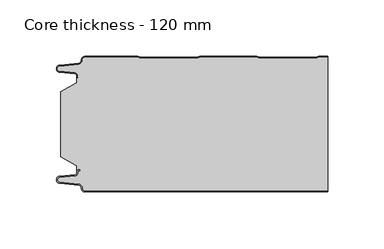
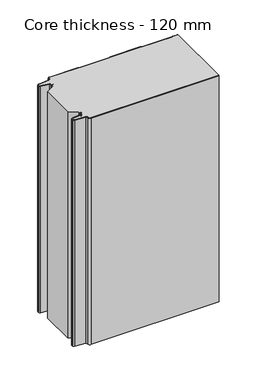
"""IFC4 building model written with IfcOpenShell, lengths in millimetres: plate geometry, Core thickness - 120 mm."""

from ifc_helpers import new_model, si_unit, frame, origin, place, context, project, spatial, polyline, circle_curve, source, transform, mapped, element, save
from ifc_brep_helpers import plane_surface, cylinder_surface, revolved_surface, advanced_brep


def core_thickness_120_mm_ad3b61e6(model_context):
    return source(origin(), model_context, "Body", "AdvancedBrep", [
        advanced_brep(
        [(-94.8000003, -119.9996949, 0.0), (-97.9923632, -116.5787437, 0.0), (-100.2560431, -113.9171154, 0.0), (-117.2115315, -112.2546153, 0.0), (-119.9999998, -109.1776715, 0.0), (-117.2115315, -106.1007278, 0.0), (-103.6195785, -104.7680252, 0.0), (-101.9952277, -102.9766159, 0.0), (-101.9952277, -101.8996949, 0.0), (-100.5952277, -100.4996949, 0.0), (-99.4952277, -100.4996949, 0.0), (-99.4952277, -101.2996949, 0.0), (-100.5952277, -101.2996949, 0.0), (-101.1952277, -101.8996949, 0.0), (-101.1952277, -102.9766159, 0.0), (-103.5415122, -105.5642071, 0.0), (-117.1334652, -106.8969097, 0.0), (-119.1999997, -109.1776715, 0.0), (-117.1334652, -111.4584333, 0.0), (-100.1779767, -113.1209335, 0.0), (-97.2078761, -116.6330399, 0.0), (-94.8000003, -119.1996949, 0.0), (119.9999998, -119.2, 0.0), (119.9999998, -119.9996949, 0.0), (-94.8000003, -119.1996949, 400.0), (-97.1942724, -116.6339815, 400.0), (-100.1779767, -113.1209335, 400.0), (-117.1334652, -111.4584333, 400.0), (-119.1999997, -109.1776715, 400.0), (-117.1334652, -106.8969097, 400.0), (-103.5415122, -105.5642071, 400.0), (-101.1952277, -102.9766159, 400.0), (-101.1952277, -101.8996949, 400.0), (-100.5952277, -101.2996949, 400.0), (-99.4952277, -101.2996949, 400.0), (-99.4952277, -100.4996949, 400.0), (-100.5952277, -100.4996949, 400.0), (-101.9952277, -101.8996949, 400.0), (-101.9952277, -102.9766159, 400.0), (-103.6195785, -104.7680252, 400.0), (-117.2115315, -106.1007278, 400.0), (-119.9999998, -109.1776715, 400.0), (-117.2115315, -112.2546153, 400.0), (-100.2560431, -113.9171154, 400.0), (-98.0059668, -116.5778021, 400.0), (-94.8000003, -119.9996949, 400.0), (119.9999998, -119.9996949, 400.0), (119.9999998, -119.2, 400.0)],
        [
            (0, 1, circle_curve(frame((-94.8000003, -116.7996949, 0.0), z_axis=(0.0, 0.0, -1.0), x_axis=(1.0, 0.0, 0.0)), 3.2)),
            (1, 2, circle_curve(frame((-100.5000003, -116.4051839, 0.0), z_axis=(0.0, 0.0, 1.0), x_axis=(1.0, 0.0, 0.0)), 2.5)),
            (2, 3),
            (3, 4, circle_curve(frame((-116.9100003, -109.1793626, 0.0), z_axis=(0.0, 0.0, -1.0), x_axis=(1.0, 0.0, 0.0)), 3.09)),
            (4, 5, circle_curve(frame((-116.9100003, -109.1759805, 0.0), z_axis=(0.0, 0.0, -1.0), x_axis=(1.0, 0.0, 0.0)), 3.09)),
            (5, 6),
            (6, 7, circle_curve(frame((-103.7952277, -102.9766159, 0.0), z_axis=(0.0, 0.0, 1.0), x_axis=(1.0, 0.0, 0.0)), 1.8)),
            (7, 8),
            (8, 9, circle_curve(frame((-100.5952277, -101.8996949, 0.0), z_axis=(0.0, 0.0, -1.0), x_axis=(1.0, 0.0, 0.0)), 1.4)),
            (9, 10),
            (10, 11),
            (11, 12),
            (12, 13, circle_curve(frame((-100.5952277, -101.8996949, 0.0), z_axis=(0.0, 0.0, 1.0), x_axis=(1.0, 0.0, 0.0)), 0.6)),
            (13, 14),
            (14, 15, circle_curve(frame((-103.7952277, -102.9766159, 0.0), z_axis=(0.0, 0.0, -1.0), x_axis=(1.0, 0.0, 0.0)), 2.6)),
            (15, 16),
            (16, 17, circle_curve(frame((-116.9100003, -109.1759805, 0.0), z_axis=(0.0, 0.0, 1.0), x_axis=(1.0, 0.0, 0.0)), 2.29)),
            (17, 18, circle_curve(frame((-116.9100003, -109.1793626, 0.0), z_axis=(0.0, 0.0, 1.0), x_axis=(1.0, 0.0, 0.0)), 2.29)),
            (18, 19),
            (19, 20, circle_curve(frame((-100.5000003, -116.4051839, 0.0), z_axis=(0.0, 0.0, -1.0), x_axis=(1.0, 0.0, 0.0)), 3.3)),
            (20, 21, circle_curve(frame((-94.8000003, -116.7996949, 0.0), z_axis=(0.0, 0.0, 1.0), x_axis=(1.0, 0.0, 0.0)), 2.4)),
            (21, 22),
            (22, 23),
            (23, 0),
            (24, 25, circle_curve(frame((-94.8000003, -116.7996949, 400.0), z_axis=(0.0, 0.0, -1.0), x_axis=(1.0, 0.0, 0.0)), 2.4)),
            (25, 26, circle_curve(frame((-100.5000003, -116.4051839, 400.0), z_axis=(0.0, 0.0, 1.0), x_axis=(1.0, 0.0, 0.0)), 3.3)),
            (26, 27),
            (27, 28, circle_curve(frame((-116.9100003, -109.1793626, 400.0), z_axis=(0.0, 0.0, -1.0), x_axis=(1.0, 0.0, 0.0)), 2.29)),
            (28, 29, circle_curve(frame((-116.9100003, -109.1759805, 400.0), z_axis=(0.0, 0.0, -1.0), x_axis=(1.0, 0.0, 0.0)), 2.29)),
            (29, 30),
            (30, 31, circle_curve(frame((-103.7952277, -102.9766159, 400.0), z_axis=(0.0, 0.0, 1.0), x_axis=(1.0, 0.0, 0.0)), 2.6)),
            (31, 32),
            (32, 33, circle_curve(frame((-100.5952277, -101.8996949, 400.0), z_axis=(0.0, 0.0, -1.0), x_axis=(1.0, 0.0, 0.0)), 0.6)),
            (33, 34),
            (34, 35),
            (35, 36),
            (36, 37, circle_curve(frame((-100.5952277, -101.8996949, 400.0), z_axis=(0.0, 0.0, 1.0), x_axis=(1.0, 0.0, 0.0)), 1.4)),
            (37, 38),
            (38, 39, circle_curve(frame((-103.7952277, -102.9766159, 400.0), z_axis=(0.0, 0.0, -1.0), x_axis=(1.0, 0.0, 0.0)), 1.8)),
            (39, 40),
            (40, 41, circle_curve(frame((-116.9100003, -109.1759805, 400.0), z_axis=(0.0, 0.0, 1.0), x_axis=(1.0, 0.0, 0.0)), 3.09)),
            (41, 42, circle_curve(frame((-116.9100003, -109.1793626, 400.0), z_axis=(0.0, 0.0, 1.0), x_axis=(1.0, 0.0, 0.0)), 3.09)),
            (42, 43),
            (43, 44, circle_curve(frame((-100.5000003, -116.4051839, 400.0), z_axis=(0.0, 0.0, -1.0), x_axis=(1.0, 0.0, 0.0)), 2.5)),
            (44, 45, circle_curve(frame((-94.8000003, -116.7996949, 400.0), z_axis=(0.0, 0.0, 1.0), x_axis=(1.0, 0.0, 0.0)), 3.2)),
            (45, 46),
            (46, 47),
            (47, 24),
            (21, 24),
            (47, 22),
            (20, 25),
            (19, 26),
            (18, 27),
            (17, 28),
            (16, 29),
            (15, 30),
            (14, 31),
            (13, 32),
            (12, 33),
            (11, 34),
            (10, 35),
            (9, 36),
            (8, 37),
            (7, 38),
            (6, 39),
            (5, 40),
            (4, 41),
            (3, 42),
            (2, 43),
            (1, 44),
            (0, 45),
            (23, 46),
        ],
        [
            plane_surface(frame((-119.9999998, -120.0, 0.0), z_axis=(0.0, 0.0, -1.0), x_axis=(0.0, 1.0, 0.0))),
            plane_surface(frame((-119.9999998, -120.0, 400.0), z_axis=(0.0, 0.0, 1.0), x_axis=(0.0, 1.0, 0.0))),
            plane_surface(frame((-94.8000003, -119.2, 0.0), z_axis=(0.0, 1.0, 0.0), x_axis=(0.0, 0.0, 1.0))),
            revolved_surface(polyline([(-92.40000029999999, -116.7996949, 400.0), (-92.40000029999999, -116.7996949, 0.0)]), (-94.8000003, -116.7996949, 0.0), (0.0, 0.0, 1.0)),
            cylinder_surface(frame((-100.5000003, -116.4051839, 0.0), z_axis=(0.0, 0.0, -1.0), x_axis=(1.0, 0.0, 0.0)), 3.3),
            plane_surface(frame((-117.1334652, -111.4584333, 0.0), z_axis=(0.09758289975914758, 0.9952273999818314, 0.0), x_axis=(0.0, 0.0, 1.0))),
            revolved_surface(polyline([(-114.62000029999999, -109.1793626, 400.0), (-114.62000029999999, -109.1793626, 0.0)]), (-116.9100003, -109.1793626, 0.0), (0.0, 0.0, 1.0)),
            revolved_surface(polyline([(-114.62000029999999, -109.1759805, 400.0), (-114.62000029999999, -109.1759805, 0.0)]), (-116.9100003, -109.1759805, 0.0), (0.0, 0.0, 1.0)),
            plane_surface(frame((-103.5415122, -105.5642071, 0.0), z_axis=(0.09758289975914383, -0.9952273999818317, 0.0), x_axis=(0.0, 0.0, 1.0))),
            cylinder_surface(frame((-103.7952277, -102.9766159, 0.0), z_axis=(0.0, 0.0, -1.0), x_axis=(1.0, 0.0, 0.0)), 2.6),
            plane_surface(frame((-101.1952277, -101.8996949, 0.0), z_axis=(1.0, 0.0, 0.0), x_axis=(0.0, 0.0, 1.0))),
            revolved_surface(polyline([(-99.9952277, -101.8996949, 400.0), (-99.9952277, -101.8996949, 0.0)]), (-100.5952277, -101.8996949, 0.0), (0.0, 0.0, 1.0)),
            plane_surface(frame((-99.4952277, -101.2996949, 0.0), z_axis=(0.0, -1.0, 0.0), x_axis=(0.0, 0.0, 1.0))),
            plane_surface(frame((-99.4952277, -100.4996949, 0.0), z_axis=(1.0, 0.0, 0.0), x_axis=(0.0, 0.0, 1.0))),
            plane_surface(frame((-100.5952277, -100.4996949, 0.0), z_axis=(0.0, 1.0, 0.0), x_axis=(0.0, 0.0, 1.0))),
            cylinder_surface(frame((-100.5952277, -101.8996949, 0.0), z_axis=(0.0, 0.0, -1.0), x_axis=(1.0, 0.0, 0.0)), 1.4),
            plane_surface(frame((-101.9952277, -102.9766159, 0.0), z_axis=(-1.0, 0.0, 0.0), x_axis=(0.0, 0.0, 1.0))),
            revolved_surface(polyline([(-101.9952277, -102.9766159, 400.0), (-101.9952277, -102.9766159, 0.0)]), (-103.7952277, -102.9766159, 0.0), (0.0, 0.0, 1.0)),
            plane_surface(frame((-117.2115315, -106.1007278, 0.0), z_axis=(-0.09758289975914387, 0.9952273999818317, 0.0), x_axis=(0.0, 0.0, 1.0))),
            cylinder_surface(frame((-116.9100003, -109.1759805, 0.0), z_axis=(0.0, 0.0, -1.0), x_axis=(1.0, 0.0, 0.0)), 3.09),
            cylinder_surface(frame((-116.9100003, -109.1793626, 0.0), z_axis=(0.0, 0.0, -1.0), x_axis=(1.0, 0.0, 0.0)), 3.09),
            plane_surface(frame((-100.2560431, -113.9171154, 0.0), z_axis=(-0.09758289975914762, -0.9952273999818314, 0.0), x_axis=(0.0, 0.0, 1.0))),
            revolved_surface(polyline([(-98.0000003, -116.4051839, 400.0), (-98.0000003, -116.4051839, 0.0)]), (-100.5000003, -116.4051839, 0.0), (0.0, 0.0, 1.0)),
            cylinder_surface(frame((-94.8000003, -116.7996949, 0.0), z_axis=(0.0, 0.0, -1.0), x_axis=(1.0, 0.0, 0.0)), 3.2),
            plane_surface(frame((896.009932, -119.9996949, 0.0), z_axis=(0.0, -1.0, 0.0), x_axis=(0.0, 0.0, 1.0))),
            plane_surface(frame((119.9999998, 180.0, 400.0), z_axis=(1.0, 0.0, 0.0), x_axis=(0.0, 0.0, -1.0))),
        ],
        [
            (0, [[1, 2, 3, 4, 5, 6, 7, 8, 9, 10, 11, 12, 13, 14, 15, 16, 17, 18, 19, 20, 21, 22, 23, 24]]),
            (1, [[25, 26, 27, 28, 29, 30, 31, 32, 33, 34, 35, 36, 37, 38, 39, 40, 41, 42, 43, 44, 45, 46, 47, 48]]),
            (2, [[49, -48, 50, -22]]),
            (3, [[-21, 51, -25, -49]]),
            (4, [[-20, 52, -26, -51]]),
            (5, [[-19, 53, -27, -52]]),
            (6, [[-18, 54, -28, -53]]),
            (7, [[-17, 55, -29, -54]]),
            (8, [[-16, 56, -30, -55]]),
            (9, [[-15, 57, -31, -56]]),
            (10, [[-14, 58, -32, -57]]),
            (11, [[-13, 59, -33, -58]]),
            (12, [[-12, 60, -34, -59]]),
            (13, [[-11, 61, -35, -60]]),
            (14, [[-10, 62, -36, -61]]),
            (15, [[-9, 63, -37, -62]]),
            (16, [[-8, 64, -38, -63]]),
            (17, [[-7, 65, -39, -64]]),
            (18, [[-6, 66, -40, -65]]),
            (19, [[-5, 67, -41, -66]]),
            (20, [[-4, 68, -42, -67]]),
            (21, [[-3, 69, -43, -68]]),
            (22, [[-2, 70, -44, -69]]),
            (23, [[-1, 71, -45, -70]]),
            (24, [[-71, -24, 72, -46]]),
            (25, [[-23, -50, -47, -72]]),
        ],
    ),
        advanced_brep(
        [(-101.9952277, -23.1062917, 400.0), (-116.0446509, -31.1628062, 400.0), (-116.0446509, -88.7531937, 400.0), (-101.9952277, -96.8937083, 400.0), (-101.9952277, -100.4996949, 400.0), (-101.9952277, -101.8996949, 400.0), (-100.5952277, -100.4996949, 400.0), (-99.4952277, -100.4996949, 400.0), (-99.4952277, -101.2996949, 400.0), (-100.5952277, -101.2996949, 400.0), (-101.1952277, -101.8996949, 400.0), (-101.1952277, -102.9766159, 400.0), (-103.5415122, -105.5642071, 400.0), (-117.1334652, -106.8969097, 400.0), (-119.1999997, -109.1776715, 400.0), (-117.1334652, -111.4584333, 400.0), (-100.1779767, -113.1209335, 400.0), (-97.2078761, -116.6330399, 400.0), (-94.8000003, -119.1996949, 400.0), (119.9999998, -119.2, 400.0), (119.9999998, -0.8, 400.0), (112.3119565, -0.8, 400.0), (111.2605406, -1.0986697, 400.0), (109.8401597, -1.5003051, 400.0), (59.6803765, -1.5003051, 400.0), (58.2609651, -1.0971009, 400.0), (57.2085797, -0.8, 400.0), (7.0487965, -0.8, 400.0), (5.9973806, -1.0986697, 400.0), (4.5769997, -1.5003051, 400.0), (-45.5827835, -1.5003051, 400.0), (-47.0021949, -1.0971009, 400.0), (-48.0545803, -0.8, 400.0), (-94.8000003, -0.8, 400.0), (-97.1942724, -3.3660185, 400.0), (-100.1779767, -6.8790665, 400.0), (-117.1334652, -8.5415667, 400.0), (-119.1999997, -10.8223285, 400.0), (-117.1334652, -13.1030903, 400.0), (-103.5415122, -14.4357929, 400.0), (-101.1952277, -17.0233841, 400.0), (-101.1952277, -18.1003051, 400.0), (-100.5952277, -18.7003051, 400.0), (-99.4952277, -18.7003051, 400.0), (-99.4952277, -19.5003051, 400.0), (-100.5952277, -19.5003051, 400.0), (-101.9952277, -18.1003051, 400.0), (-101.9952277, -19.5003051, 400.0), (-101.9952277, -96.8937083, 0.0), (-116.0446509, -88.7531937, 0.0), (-116.0446509, -31.1628062, 0.0), (-101.9952277, -23.1062917, 0.0), (-101.9952277, -19.5003051, 0.0), (-101.9952277, -18.1003051, 0.0), (-100.5952277, -19.5003051, 0.0), (-99.4952277, -19.5003051, 0.0), (-99.4952277, -18.7003051, 0.0), (-100.5952277, -18.7003051, 0.0), (-101.1952277, -18.1003051, 0.0), (-101.1952277, -17.0233841, 0.0), (-103.5415122, -14.4357929, 0.0), (-117.1334652, -13.1030903, 0.0), (-119.1999997, -10.8223285, 0.0), (-117.1334652, -8.5415667, 0.0), (-100.1779767, -6.8790665, 0.0), (-97.2078761, -3.3669601, 0.0), (-94.8000003, -0.8003051, 0.0), (-48.0545803, -0.8, 0.0), (-47.0031645, -1.0986697, 0.0), (-45.5827835, -1.5003051, 0.0), (4.5769997, -1.5003051, 0.0), (5.9964111, -1.0971009, 0.0), (7.0487965, -0.8, 0.0), (57.2085797, -0.8, 0.0), (58.2599955, -1.0986697, 0.0), (59.6803765, -1.5003051, 0.0), (109.8401597, -1.5003051, 0.0), (111.2595711, -1.0971009, 0.0), (112.3119565, -0.8, 0.0), (119.9999998, -0.8, 0.0), (119.9999998, -119.2, 0.0), (-94.8000003, -119.2, 0.0), (-97.1942724, -116.6339815, 0.0), (-100.1779767, -113.1209335, 0.0), (-117.1334652, -111.4584333, 0.0), (-119.1999997, -109.1776715, 0.0), (-117.1334652, -106.8969097, 0.0), (-103.5415122, -105.5642071, 0.0), (-101.1952277, -102.9766159, 0.0), (-101.1952277, -101.8996949, 0.0), (-100.5952277, -101.2996949, 0.0), (-99.4952277, -101.2996949, 0.0), (-99.4952277, -100.4996949, 0.0), (-100.5952277, -100.4996949, 0.0), (-101.9952277, -101.8996949, 0.0), (-101.9952277, -100.4996949, 0.0)],
        [
            (0, 1),
            (1, 2),
            (2, 3),
            (3, 4),
            (4, 5),
            (5, 6, circle_curve(frame((-100.5952277, -101.8996949, 400.0), z_axis=(0.0, 0.0, -1.0), x_axis=(1.0, 0.0, 0.0)), 1.4)),
            (6, 7),
            (7, 8),
            (8, 9),
            (9, 10, circle_curve(frame((-100.5952277, -101.8996949, 400.0), z_axis=(0.0, 0.0, 1.0), x_axis=(1.0, 0.0, 0.0)), 0.6)),
            (10, 11),
            (11, 12, circle_curve(frame((-103.7952277, -102.9766159, 400.0), z_axis=(0.0, 0.0, -1.0), x_axis=(1.0, 0.0, 0.0)), 2.6)),
            (12, 13),
            (13, 14, circle_curve(frame((-116.9100003, -109.1759805, 400.0), z_axis=(0.0, 0.0, 1.0), x_axis=(1.0, 0.0, 0.0)), 2.29)),
            (14, 15, circle_curve(frame((-116.9100003, -109.1793626, 400.0), z_axis=(0.0, 0.0, 1.0), x_axis=(1.0, 0.0, 0.0)), 2.29)),
            (15, 16),
            (16, 17, circle_curve(frame((-100.5000003, -116.4051839, 400.0), z_axis=(0.0, 0.0, -1.0), x_axis=(1.0, 0.0, 0.0)), 3.3)),
            (17, 18, circle_curve(frame((-94.8000003, -116.7996949, 400.0), z_axis=(0.0, 0.0, 1.0), x_axis=(1.0, 0.0, 0.0)), 2.4)),
            (18, 19),
            (19, 20),
            (20, 21),
            (21, 22, circle_curve(frame((112.3119565, -2.8, 400.0), z_axis=(0.0, 0.0, 1.0), x_axis=(1.0, 0.0, 0.0)), 2.0)),
            (22, 23, circle_curve(frame((109.8401597, 1.1996949, 400.0), z_axis=(0.0, 0.0, -1.0), x_axis=(1.0, 0.0, 0.0)), 2.7)),
            (23, 24),
            (24, 25, circle_curve(frame((59.6803765, 1.1996949, 400.0), z_axis=(0.0, 0.0, -1.0), x_axis=(1.0, 0.0, 0.0)), 2.7)),
            (25, 26, circle_curve(frame((57.2085797, -2.8, 400.0), z_axis=(0.0, 0.0, 1.0), x_axis=(1.0, 0.0, 0.0)), 2.0)),
            (26, 27),
            (27, 28, circle_curve(frame((7.0487965, -2.8, 400.0), z_axis=(0.0, 0.0, 1.0), x_axis=(1.0, 0.0, 0.0)), 2.0)),
            (28, 29, circle_curve(frame((4.5769997, 1.1996949, 400.0), z_axis=(0.0, 0.0, -1.0), x_axis=(1.0, 0.0, 0.0)), 2.7)),
            (29, 30),
            (30, 31, circle_curve(frame((-45.5827835, 1.1996949, 400.0), z_axis=(0.0, 0.0, -1.0), x_axis=(1.0, 0.0, 0.0)), 2.7)),
            (31, 32, circle_curve(frame((-48.0545803, -2.8, 400.0), z_axis=(0.0, 0.0, 1.0), x_axis=(1.0, 0.0, 0.0)), 2.0)),
            (32, 33),
            (33, 34, circle_curve(frame((-94.8000003, -3.2003051, 400.0), z_axis=(0.0, 0.0, 1.0), x_axis=(1.0, 0.0, 0.0)), 2.4)),
            (34, 35, circle_curve(frame((-100.5000003, -3.5948161, 400.0), z_axis=(0.0, 0.0, -1.0), x_axis=(1.0, 0.0, 0.0)), 3.3)),
            (35, 36),
            (36, 37, circle_curve(frame((-116.9100003, -10.8206374, 400.0), z_axis=(0.0, 0.0, 1.0), x_axis=(1.0, 0.0, 0.0)), 2.29)),
            (37, 38, circle_curve(frame((-116.9100003, -10.8240195, 400.0), z_axis=(0.0, 0.0, 1.0), x_axis=(1.0, 0.0, 0.0)), 2.29)),
            (38, 39),
            (39, 40, circle_curve(frame((-103.7952277, -17.0233841, 400.0), z_axis=(0.0, 0.0, -1.0), x_axis=(1.0, 0.0, 0.0)), 2.6)),
            (40, 41),
            (41, 42, circle_curve(frame((-100.5952277, -18.1003051, 400.0), z_axis=(0.0, 0.0, 1.0), x_axis=(1.0, 0.0, 0.0)), 0.6)),
            (42, 43),
            (43, 44),
            (44, 45),
            (45, 46, circle_curve(frame((-100.5952277, -18.1003051, 400.0), z_axis=(0.0, 0.0, -1.0), x_axis=(1.0, 0.0, 0.0)), 1.4)),
            (46, 47),
            (47, 0),
            (48, 49),
            (49, 50),
            (50, 51),
            (51, 52),
            (52, 53),
            (53, 54, circle_curve(frame((-100.5952277, -18.1003051, 0.0), z_axis=(0.0, 0.0, 1.0), x_axis=(1.0, 0.0, 0.0)), 1.4)),
            (54, 55),
            (55, 56),
            (56, 57),
            (57, 58, circle_curve(frame((-100.5952277, -18.1003051, 0.0), z_axis=(0.0, 0.0, -1.0), x_axis=(1.0, 0.0, 0.0)), 0.6)),
            (58, 59),
            (59, 60, circle_curve(frame((-103.7952277, -17.0233841, 0.0), z_axis=(0.0, 0.0, 1.0), x_axis=(1.0, 0.0, 0.0)), 2.6)),
            (60, 61),
            (61, 62, circle_curve(frame((-116.9100003, -10.8240195, 0.0), z_axis=(0.0, 0.0, -1.0), x_axis=(1.0, 0.0, 0.0)), 2.29)),
            (62, 63, circle_curve(frame((-116.9100003, -10.8206374, 0.0), z_axis=(0.0, 0.0, -1.0), x_axis=(1.0, 0.0, 0.0)), 2.29)),
            (63, 64),
            (64, 65, circle_curve(frame((-100.5000003, -3.5948161, 0.0), z_axis=(0.0, 0.0, 1.0), x_axis=(1.0, 0.0, 0.0)), 3.3)),
            (65, 66, circle_curve(frame((-94.8000003, -3.2003051, 0.0), z_axis=(0.0, 0.0, -1.0), x_axis=(1.0, 0.0, 0.0)), 2.4)),
            (66, 67),
            (67, 68, circle_curve(frame((-48.0545803, -2.8, 0.0), z_axis=(0.0, 0.0, -1.0), x_axis=(1.0, 0.0, 0.0)), 2.0)),
            (68, 69, circle_curve(frame((-45.5827835, 1.1996949, 0.0), z_axis=(0.0, 0.0, 1.0), x_axis=(1.0, 0.0, 0.0)), 2.7)),
            (69, 70),
            (70, 71, circle_curve(frame((4.5769997, 1.1996949, 0.0), z_axis=(0.0, 0.0, 1.0), x_axis=(1.0, 0.0, 0.0)), 2.7)),
            (71, 72, circle_curve(frame((7.0487965, -2.8, 0.0), z_axis=(0.0, 0.0, -1.0), x_axis=(1.0, 0.0, 0.0)), 2.0)),
            (72, 73),
            (73, 74, circle_curve(frame((57.2085797, -2.8, 0.0), z_axis=(0.0, 0.0, -1.0), x_axis=(1.0, 0.0, 0.0)), 2.0)),
            (74, 75, circle_curve(frame((59.6803765, 1.1996949, 0.0), z_axis=(0.0, 0.0, 1.0), x_axis=(1.0, 0.0, 0.0)), 2.7)),
            (75, 76),
            (76, 77, circle_curve(frame((109.8401597, 1.1996949, 0.0), z_axis=(0.0, 0.0, 1.0), x_axis=(1.0, 0.0, 0.0)), 2.7)),
            (77, 78, circle_curve(frame((112.3119565, -2.8, 0.0), z_axis=(0.0, 0.0, -1.0), x_axis=(1.0, 0.0, 0.0)), 2.0)),
            (78, 79),
            (79, 80),
            (80, 81),
            (81, 82, circle_curve(frame((-94.8000003, -116.7996949, 0.0), z_axis=(0.0, 0.0, -1.0), x_axis=(1.0, 0.0, 0.0)), 2.4)),
            (82, 83, circle_curve(frame((-100.5000003, -116.4051839, 0.0), z_axis=(0.0, 0.0, 1.0), x_axis=(1.0, 0.0, 0.0)), 3.3)),
            (83, 84),
            (84, 85, circle_curve(frame((-116.9100003, -109.1793626, 0.0), z_axis=(0.0, 0.0, -1.0), x_axis=(1.0, 0.0, 0.0)), 2.29)),
            (85, 86, circle_curve(frame((-116.9100003, -109.1759805, 0.0), z_axis=(0.0, 0.0, -1.0), x_axis=(1.0, 0.0, 0.0)), 2.29)),
            (86, 87),
            (87, 88, circle_curve(frame((-103.7952277, -102.9766159, 0.0), z_axis=(0.0, 0.0, 1.0), x_axis=(1.0, 0.0, 0.0)), 2.6)),
            (88, 89),
            (89, 90, circle_curve(frame((-100.5952277, -101.8996949, 0.0), z_axis=(0.0, 0.0, -1.0), x_axis=(1.0, 0.0, 0.0)), 0.6)),
            (90, 91),
            (91, 92),
            (92, 93),
            (93, 94, circle_curve(frame((-100.5952277, -101.8996949, 0.0), z_axis=(0.0, 0.0, 1.0), x_axis=(1.0, 0.0, 0.0)), 1.4)),
            (94, 95),
            (95, 48),
            (51, 0),
            (46, 53),
            (1, 50),
            (49, 2),
            (48, 3),
            (94, 5),
            (18, 81),
            (80, 19),
            (17, 82),
            (16, 83),
            (15, 84),
            (14, 85),
            (13, 86),
            (12, 87),
            (11, 88),
            (10, 89),
            (9, 90),
            (8, 91),
            (7, 92),
            (6, 93),
            (66, 33),
            (32, 67),
            (31, 68),
            (30, 69),
            (29, 70),
            (28, 71),
            (27, 72),
            (26, 73),
            (25, 74),
            (24, 75),
            (23, 76),
            (22, 77),
            (21, 78),
            (20, 79),
            (45, 54),
            (44, 55),
            (43, 56),
            (42, 57),
            (41, 58),
            (40, 59),
            (39, 60),
            (38, 61),
            (37, 62),
            (36, 63),
            (35, 64),
            (34, 65),
        ],
        [
            plane_surface(frame((-119.9999998, 0.0, 400.0), z_axis=(0.0, 0.0, 1.0), x_axis=(0.0, -1.0, 0.0))),
            plane_surface(frame((-119.9999998, 0.0, 0.0), z_axis=(0.0, 0.0, -1.0), x_axis=(0.0, -1.0, 0.0))),
            plane_surface(frame((-101.9952277, -17.0229218, 400.0), z_axis=(-1.0, 0.0, 0.0), x_axis=(0.0, 0.0, -1.0))),
            plane_surface(frame((-116.0446509, -31.1628062, 400.0), z_axis=(-1.0, 0.0, 0.0), x_axis=(0.0, 0.0, -1.0))),
            plane_surface(frame((-101.9952277, -23.1062917, 400.0), z_axis=(-0.4974543664933155, 0.8674901459133322, 0.0), x_axis=(0.0, 0.0, -1.0))),
            plane_surface(frame((-116.0446509, -88.7531937, 400.0), z_axis=(-0.5013424225369607, -0.8652489672717164, 0.0), x_axis=(0.0, 0.0, -1.0))),
            plane_surface(frame((-101.9952277, -96.8937083, 400.0), z_axis=(-1.0, 0.0, 0.0), x_axis=(0.0, 0.0, -1.0))),
            plane_surface(frame((896.009932, -119.2, 530.0), z_axis=(0.0, -1.0, 0.0), x_axis=(0.0, 0.0, -1.0))),
            cylinder_surface(frame((-94.8000003, -116.7996949, 530.0), z_axis=(0.0, 0.0, -1.0), x_axis=(1.0, 0.0, 0.0)), 2.4),
            revolved_surface(polyline([(-97.2000003, -116.4051839, 400.0), (-97.2000003, -116.4051839, 0.0)]), (-100.5000003, -116.4051839, 530.0), (0.0, 0.0, 1.0)),
            plane_surface(frame((-100.1779767, -113.1209335, 530.0), z_axis=(-0.09758289975914758, -0.9952273999818314, 0.0), x_axis=(0.0, 0.0, -1.0))),
            cylinder_surface(frame((-116.9100003, -109.1793626, 530.0), z_axis=(0.0, 0.0, -1.0), x_axis=(1.0, 0.0, 0.0)), 2.29),
            cylinder_surface(frame((-116.9100003, -109.1759805, 530.0), z_axis=(0.0, 0.0, -1.0), x_axis=(1.0, 0.0, 0.0)), 2.29),
            plane_surface(frame((-117.1334652, -106.8969097, 530.0), z_axis=(-0.09758289975914383, 0.9952273999818317, 0.0), x_axis=(0.0, 0.0, -1.0))),
            revolved_surface(polyline([(-101.1952277, -102.9766159, 400.0), (-101.1952277, -102.9766159, 0.0)]), (-103.7952277, -102.9766159, 530.0), (0.0, 0.0, 1.0)),
            plane_surface(frame((-101.1952277, -102.9766159, 530.0), z_axis=(-1.0, 0.0, 0.0), x_axis=(0.0, 0.0, -1.0))),
            cylinder_surface(frame((-100.5952277, -101.8996949, 530.0), z_axis=(0.0, 0.0, -1.0), x_axis=(1.0, 0.0, 0.0)), 0.6),
            plane_surface(frame((-100.5952277, -101.2996949, 530.0), z_axis=(0.0, 1.0, 0.0), x_axis=(0.0, 0.0, -1.0))),
            plane_surface(frame((-99.4952277, -101.2996949, 530.0), z_axis=(-1.0, 0.0, 0.0), x_axis=(0.0, 0.0, -1.0))),
            plane_surface(frame((-99.4952277, -100.4996949, 530.0), z_axis=(0.0, -1.0, 0.0), x_axis=(0.0, 0.0, -1.0))),
            revolved_surface(polyline([(-99.19522769999999, -101.8996949, 400.0), (-99.19522769999999, -101.8996949, 0.0)]), (-100.5952277, -101.8996949, 530.0), (0.0, 0.0, 1.0)),
            plane_surface(frame((-94.8000003, -0.8, 530.0), z_axis=(0.0, 1.0, 0.0), x_axis=(0.0, 0.0, -1.0))),
            cylinder_surface(frame((-48.0545803, -2.8, 530.0), z_axis=(0.0, 0.0, -1.0), x_axis=(1.0, 0.0, 0.0)), 2.0),
            revolved_surface(polyline([(-42.882783499999995, 1.1996949, 400.0), (-42.882783499999995, 1.1996949, 0.0)]), (-45.5827835, 1.1996949, 530.0), (0.0, 0.0, 1.0)),
            plane_surface(frame((-45.5827835, -1.5003051, 530.0), z_axis=(0.0, 1.0, 0.0), x_axis=(0.0, 0.0, -1.0))),
            revolved_surface(polyline([(7.2769997, 1.1996949, 400.0), (7.2769997, 1.1996949, 0.0)]), (4.5769997, 1.1996949, 530.0), (0.0, 0.0, 1.0)),
            cylinder_surface(frame((7.0487965, -2.8, 530.0), z_axis=(0.0, 0.0, -1.0), x_axis=(1.0, 0.0, 0.0)), 2.0),
            plane_surface(frame((7.0487965, -0.8, 530.0), z_axis=(0.0, 1.0, 0.0), x_axis=(0.0, 0.0, -1.0))),
            cylinder_surface(frame((57.2085797, -2.8, 530.0), z_axis=(0.0, 0.0, -1.0), x_axis=(1.0, 0.0, 0.0)), 2.0),
            revolved_surface(polyline([(62.380376500000004, 1.1996949, 400.0), (62.380376500000004, 1.1996949, 0.0)]), (59.6803765, 1.1996949, 530.0), (0.0, 0.0, 1.0)),
            plane_surface(frame((59.6803765, -1.5003051, 530.0), z_axis=(0.0, 1.0, 0.0), x_axis=(0.0, 0.0, -1.0))),
            revolved_surface(polyline([(112.5401597, 1.1996949, 400.0), (112.5401597, 1.1996949, 0.0)]), (109.8401597, 1.1996949, 530.0), (0.0, 0.0, 1.0)),
            cylinder_surface(frame((112.3119565, -2.8, 530.0), z_axis=(0.0, 0.0, -1.0), x_axis=(1.0, 0.0, 0.0)), 2.0),
            plane_surface(frame((112.3119565, -0.8, 530.0), z_axis=(0.0, 1.0, 0.0), x_axis=(0.0, 0.0, -1.0))),
            revolved_surface(polyline([(-99.19522769999999, -18.1003051, 400.0), (-99.19522769999999, -18.1003051, 0.0)]), (-100.5952277, -18.1003051, 530.0), (0.0, 0.0, 1.0)),
            plane_surface(frame((-100.5952277, -19.5003051, 530.0), z_axis=(0.0, 1.0, 0.0), x_axis=(0.0, 0.0, -1.0))),
            plane_surface(frame((-99.4952277, -19.5003051, 530.0), z_axis=(-1.0, 0.0, 0.0), x_axis=(0.0, 0.0, -1.0))),
            plane_surface(frame((-99.4952277, -18.7003051, 530.0), z_axis=(0.0, -1.0, 0.0), x_axis=(0.0, 0.0, -1.0))),
            cylinder_surface(frame((-100.5952277, -18.1003051, 530.0), z_axis=(0.0, 0.0, -1.0), x_axis=(1.0, 0.0, 0.0)), 0.6),
            plane_surface(frame((-101.1952277, -18.1003051, 530.0), z_axis=(-1.0, 0.0, 0.0), x_axis=(0.0, 0.0, -1.0))),
            revolved_surface(polyline([(-101.1952277, -17.0233841, 400.0), (-101.1952277, -17.0233841, 0.0)]), (-103.7952277, -17.0233841, 530.0), (0.0, 0.0, 1.0)),
            plane_surface(frame((-103.5415122, -14.4357929, 530.0), z_axis=(-0.09758289975914705, -0.9952273999818314, 0.0), x_axis=(0.0, 0.0, -1.0))),
            cylinder_surface(frame((-116.9100003, -10.8240195, 530.0), z_axis=(0.0, 0.0, -1.0), x_axis=(1.0, 0.0, 0.0)), 2.29),
            cylinder_surface(frame((-116.9100003, -10.8206374, 530.0), z_axis=(0.0, 0.0, -1.0), x_axis=(1.0, 0.0, 0.0)), 2.29),
            plane_surface(frame((-117.1334652, -8.5415667, 530.0), z_axis=(-0.09758289975914436, 0.9952273999818317, 0.0), x_axis=(0.0, 0.0, -1.0))),
            revolved_surface(polyline([(-97.2000003, -3.5948161, 400.0), (-97.2000003, -3.5948161, 0.0)]), (-100.5000003, -3.5948161, 530.0), (0.0, 0.0, 1.0)),
            cylinder_surface(frame((-94.8000003, -3.2003051, 530.0), z_axis=(0.0, 0.0, -1.0), x_axis=(1.0, 0.0, 0.0)), 2.4),
            plane_surface(frame((119.9999998, 180.0, 400.0), z_axis=(1.0, 0.0, 0.0), x_axis=(0.0, 0.0, -1.0))),
        ],
        [
            (0, [[1, 2, 3, 4, 5, 6, 7, 8, 9, 10, 11, 12, 13, 14, 15, 16, 17, 18, 19, 20, 21, 22, 23, 24, 25, 26, 27, 28, 29, 30, 31, 32, 33, 34, 35, 36, 37, 38, 39, 40, 41, 42, 43, 44, 45, 46, 47, 48]]),
            (1, [[49, 50, 51, 52, 53, 54, 55, 56, 57, 58, 59, 60, 61, 62, 63, 64, 65, 66, 67, 68, 69, 70, 71, 72, 73, 74, 75, 76, 77, 78, 79, 80, 81, 82, 83, 84, 85, 86, 87, 88, 89, 90, 91, 92, 93, 94, 95, 96]]),
            (2, [[97, -48, -47, 98, -53, -52]]),
            (3, [[-2, 99, -50, 100]]),
            (4, [[-1, -97, -51, -99]]),
            (5, [[-3, -100, -49, 101]]),
            (6, [[-101, -96, -95, 102, -5, -4]]),
            (7, [[103, -81, 104, -19]]),
            (8, [[-103, -18, 105, -82]]),
            (9, [[-105, -17, 106, -83]]),
            (10, [[-106, -16, 107, -84]]),
            (11, [[-107, -15, 108, -85]]),
            (12, [[-108, -14, 109, -86]]),
            (13, [[-109, -13, 110, -87]]),
            (14, [[-110, -12, 111, -88]]),
            (15, [[-111, -11, 112, -89]]),
            (16, [[-112, -10, 113, -90]]),
            (17, [[-113, -9, 114, -91]]),
            (18, [[-114, -8, 115, -92]]),
            (19, [[-115, -7, 116, -93]]),
            (20, [[-116, -6, -102, -94]]),
            (21, [[117, -33, 118, -67]]),
            (22, [[-118, -32, 119, -68]]),
            (23, [[-119, -31, 120, -69]]),
            (24, [[-120, -30, 121, -70]]),
            (25, [[-121, -29, 122, -71]]),
            (26, [[-122, -28, 123, -72]]),
            (27, [[-123, -27, 124, -73]]),
            (28, [[-124, -26, 125, -74]]),
            (29, [[-125, -25, 126, -75]]),
            (30, [[-126, -24, 127, -76]]),
            (31, [[-127, -23, 128, -77]]),
            (32, [[-128, -22, 129, -78]]),
            (33, [[-129, -21, 130, -79]]),
            (34, [[131, -54, -98, -46]]),
            (35, [[-131, -45, 132, -55]]),
            (36, [[-132, -44, 133, -56]]),
            (37, [[-133, -43, 134, -57]]),
            (38, [[-134, -42, 135, -58]]),
            (39, [[-135, -41, 136, -59]]),
            (40, [[-136, -40, 137, -60]]),
            (41, [[-137, -39, 138, -61]]),
            (42, [[-138, -38, 139, -62]]),
            (43, [[-139, -37, 140, -63]]),
            (44, [[-140, -36, 141, -64]]),
            (45, [[-141, -35, 142, -65]]),
            (46, [[-117, -66, -142, -34]]),
            (47, [[-104, -80, -130, -20]]),
        ],
    ),
        advanced_brep(
        [(-47.0031645, -1.0986697, 0.0), (-48.0545803, -0.8, 0.0), (-94.8000003, -0.8, 0.0), (-97.1942724, -3.3660185, 0.0), (-100.1779767, -6.8790665, 0.0), (-117.1334652, -8.5415667, 0.0), (-119.1999997, -10.8223285, 0.0), (-117.1334652, -13.1030903, 0.0), (-103.5415122, -14.4357929, 0.0), (-101.1952277, -17.0233841, 0.0), (-101.1952277, -18.1003051, 0.0), (-100.5952277, -18.7003051, 0.0), (-99.4952277, -18.7003051, 0.0), (-99.4952277, -19.5003051, 0.0), (-100.5952277, -19.5003051, 0.0), (-101.9952277, -18.1003051, 0.0), (-101.9952277, -17.0233841, 0.0), (-103.6195785, -15.2319748, 0.0), (-117.2115315, -13.8992722, 0.0), (-119.9999998, -10.8223285, 0.0), (-117.2115315, -7.7453847, 0.0), (-100.2560431, -6.0828846, 0.0), (-98.0059668, -3.4221979, 0.0), (-94.8000003, -0.0003051, 0.0), (-48.0545803, -0.0003051, 0.0), (-46.6352472, -0.4034608, 0.0), (-45.5827835, -0.7003051, 0.0), (4.5769997, -0.7003051, 0.0), (5.6283575, -0.4016712, 0.0), (7.0487965, -0.0003051, 0.0), (57.2085797, -0.0003051, 0.0), (58.6279128, -0.4034608, 0.0), (59.6803765, -0.7003051, 0.0), (109.8401597, -0.7003051, 0.0), (110.8915175, -0.4016712, 0.0), (112.3119565, -0.0003051, 0.0), (119.9999998, -0.0003051, 0.0), (119.9999998, -0.8, 0.0), (112.3119565, -0.8, 0.0), (111.2605406, -1.0986697, 0.0), (109.8401597, -1.5003051, 0.0), (59.6803765, -1.5003051, 0.0), (58.2609651, -1.0971009, 0.0), (57.2085797, -0.8, 0.0), (7.0487965, -0.8, 0.0), (5.9973806, -1.0986697, 0.0), (4.5769997, -1.5003051, 0.0), (-45.5827835, -1.5003051, 0.0), (-47.0021949, -1.0971009, 400.0), (-45.5827835, -1.5003051, 400.0), (4.5769997, -1.5003051, 400.0), (5.9964111, -1.0971009, 400.0), (7.0487965, -0.8, 400.0), (57.2085797, -0.8, 400.0), (58.2599955, -1.0986697, 400.0), (59.6803765, -1.5003051, 400.0), (109.8401597, -1.5003051, 400.0), (111.2595711, -1.0971009, 400.0), (112.3119565, -0.8, 400.0), (119.9999998, -0.8, 400.0), (119.9999998, -0.0003051, 400.0), (112.3119565, -0.0003051, 400.0), (110.8926234, -0.4034608, 400.0), (109.8401597, -0.7003051, 400.0), (59.6803765, -0.7003051, 400.0), (58.6290186, -0.4016712, 400.0), (57.2085797, -0.0003051, 400.0), (7.0487965, -0.0003051, 400.0), (5.6294634, -0.4034608, 400.0), (4.5769997, -0.7003051, 400.0), (-45.5827835, -0.7003051, 400.0), (-46.6341414, -0.4016712, 400.0), (-48.0545803, -0.0003051, 400.0), (-94.8000003, -0.0003051, 400.0), (-97.9923632, -3.4212563, 400.0), (-100.2560431, -6.0828846, 400.0), (-117.2115315, -7.7453847, 400.0), (-119.9999998, -10.8223285, 400.0), (-117.2115315, -13.8992722, 400.0), (-103.6195785, -15.2319748, 400.0), (-101.9952277, -17.0233841, 400.0), (-101.9952277, -18.1003051, 400.0), (-100.5952277, -19.5003051, 400.0), (-99.4952277, -19.5003051, 400.0), (-99.4952277, -18.7003051, 400.0), (-100.5952277, -18.7003051, 400.0), (-101.1952277, -18.1003051, 400.0), (-101.1952277, -17.0233841, 400.0), (-103.5415122, -14.4357929, 400.0), (-117.1334652, -13.1030903, 400.0), (-119.1999997, -10.8223285, 400.0), (-117.1334652, -8.5415667, 400.0), (-100.1779767, -6.8790665, 400.0), (-97.2078761, -3.3669601, 400.0), (-94.8000003, -0.8003051, 400.0), (-48.0545803, -0.8, 400.0)],
        [
            (0, 1, circle_curve(frame((-48.0545803, -2.8, 0.0), z_axis=(0.0, 0.0, 1.0), x_axis=(1.0, 0.0, 0.0)), 2.0)),
            (1, 2),
            (2, 3, circle_curve(frame((-94.8000003, -3.2003051, 0.0), z_axis=(0.0, 0.0, 1.0), x_axis=(1.0, 0.0, 0.0)), 2.4)),
            (3, 4, circle_curve(frame((-100.5000003, -3.5948161, 0.0), z_axis=(0.0, 0.0, -1.0), x_axis=(1.0, 0.0, 0.0)), 3.3)),
            (4, 5),
            (5, 6, circle_curve(frame((-116.9100003, -10.8206374, 0.0), z_axis=(0.0, 0.0, 1.0), x_axis=(1.0, 0.0, 0.0)), 2.29)),
            (6, 7, circle_curve(frame((-116.9100003, -10.8240195, 0.0), z_axis=(0.0, 0.0, 1.0), x_axis=(1.0, 0.0, 0.0)), 2.29)),
            (7, 8),
            (8, 9, circle_curve(frame((-103.7952277, -17.0233841, 0.0), z_axis=(0.0, 0.0, -1.0), x_axis=(1.0, 0.0, 0.0)), 2.6)),
            (9, 10),
            (10, 11, circle_curve(frame((-100.5952277, -18.1003051, 0.0), z_axis=(0.0, 0.0, 1.0), x_axis=(1.0, 0.0, 0.0)), 0.6)),
            (11, 12),
            (12, 13),
            (13, 14),
            (14, 15, circle_curve(frame((-100.5952277, -18.1003051, 0.0), z_axis=(0.0, 0.0, -1.0), x_axis=(1.0, 0.0, 0.0)), 1.4)),
            (15, 16),
            (16, 17, circle_curve(frame((-103.7952277, -17.0233841, 0.0), z_axis=(0.0, 0.0, 1.0), x_axis=(1.0, 0.0, 0.0)), 1.8)),
            (17, 18),
            (18, 19, circle_curve(frame((-116.9100003, -10.8240195, 0.0), z_axis=(0.0, 0.0, -1.0), x_axis=(1.0, 0.0, 0.0)), 3.09)),
            (19, 20, circle_curve(frame((-116.9100003, -10.8206374, 0.0), z_axis=(0.0, 0.0, -1.0), x_axis=(1.0, 0.0, 0.0)), 3.09)),
            (20, 21),
            (21, 22, circle_curve(frame((-100.5000003, -3.5948161, 0.0), z_axis=(0.0, 0.0, 1.0), x_axis=(1.0, 0.0, 0.0)), 2.5)),
            (22, 23, circle_curve(frame((-94.8000003, -3.2003051, 0.0), z_axis=(0.0, 0.0, -1.0), x_axis=(1.0, 0.0, 0.0)), 3.2)),
            (23, 24),
            (24, 25, circle_curve(frame((-48.0545803, -2.7003051, 0.0), z_axis=(0.0, 0.0, -1.0), x_axis=(1.0, 0.0, 0.0)), 2.7)),
            (25, 26, circle_curve(frame((-45.5827835, 1.2996949, 0.0), z_axis=(0.0, 0.0, 1.0), x_axis=(1.0, 0.0, 0.0)), 2.0)),
            (26, 27),
            (27, 28, circle_curve(frame((4.5769997, 1.2996949, 0.0), z_axis=(0.0, 0.0, 1.0), x_axis=(1.0, 0.0, 0.0)), 2.0)),
            (28, 29, circle_curve(frame((7.0487965, -2.7003051, 0.0), z_axis=(0.0, 0.0, -1.0), x_axis=(1.0, 0.0, 0.0)), 2.7)),
            (29, 30),
            (30, 31, circle_curve(frame((57.2085797, -2.7003051, 0.0), z_axis=(0.0, 0.0, -1.0), x_axis=(1.0, 0.0, 0.0)), 2.7)),
            (31, 32, circle_curve(frame((59.6803765, 1.2996949, 0.0), z_axis=(0.0, 0.0, 1.0), x_axis=(1.0, 0.0, 0.0)), 2.0)),
            (32, 33),
            (33, 34, circle_curve(frame((109.8401597, 1.2996949, 0.0), z_axis=(0.0, 0.0, 1.0), x_axis=(1.0, 0.0, 0.0)), 2.0)),
            (34, 35, circle_curve(frame((112.3119565, -2.7003051, 0.0), z_axis=(0.0, 0.0, -1.0), x_axis=(1.0, 0.0, 0.0)), 2.7)),
            (35, 36),
            (36, 37),
            (37, 38),
            (38, 39, circle_curve(frame((112.3119565, -2.8, 0.0), z_axis=(0.0, 0.0, 1.0), x_axis=(1.0, 0.0, 0.0)), 2.0)),
            (39, 40, circle_curve(frame((109.8401597, 1.1996949, 0.0), z_axis=(0.0, 0.0, -1.0), x_axis=(1.0, 0.0, 0.0)), 2.7)),
            (40, 41),
            (41, 42, circle_curve(frame((59.6803765, 1.1996949, 0.0), z_axis=(0.0, 0.0, -1.0), x_axis=(1.0, 0.0, 0.0)), 2.7)),
            (42, 43, circle_curve(frame((57.2085797, -2.8, 0.0), z_axis=(0.0, 0.0, 1.0), x_axis=(1.0, 0.0, 0.0)), 2.0)),
            (43, 44),
            (44, 45, circle_curve(frame((7.0487965, -2.8, 0.0), z_axis=(0.0, 0.0, 1.0), x_axis=(1.0, 0.0, 0.0)), 2.0)),
            (45, 46, circle_curve(frame((4.5769997, 1.1996949, 0.0), z_axis=(0.0, 0.0, -1.0), x_axis=(1.0, 0.0, 0.0)), 2.7)),
            (46, 47),
            (47, 0, circle_curve(frame((-45.5827835, 1.1996949, 0.0), z_axis=(0.0, 0.0, -1.0), x_axis=(1.0, 0.0, 0.0)), 2.7)),
            (48, 49, circle_curve(frame((-45.5827835, 1.1996949, 400.0), z_axis=(0.0, 0.0, 1.0), x_axis=(1.0, 0.0, 0.0)), 2.7)),
            (49, 50),
            (50, 51, circle_curve(frame((4.5769997, 1.1996949, 400.0), z_axis=(0.0, 0.0, 1.0), x_axis=(1.0, 0.0, 0.0)), 2.7)),
            (51, 52, circle_curve(frame((7.0487965, -2.8, 400.0), z_axis=(0.0, 0.0, -1.0), x_axis=(1.0, 0.0, 0.0)), 2.0)),
            (52, 53),
            (53, 54, circle_curve(frame((57.2085797, -2.8, 400.0), z_axis=(0.0, 0.0, -1.0), x_axis=(1.0, 0.0, 0.0)), 2.0)),
            (54, 55, circle_curve(frame((59.6803765, 1.1996949, 400.0), z_axis=(0.0, 0.0, 1.0), x_axis=(1.0, 0.0, 0.0)), 2.7)),
            (55, 56),
            (56, 57, circle_curve(frame((109.8401597, 1.1996949, 400.0), z_axis=(0.0, 0.0, 1.0), x_axis=(1.0, 0.0, 0.0)), 2.7)),
            (57, 58, circle_curve(frame((112.3119565, -2.8, 400.0), z_axis=(0.0, 0.0, -1.0), x_axis=(1.0, 0.0, 0.0)), 2.0)),
            (58, 59),
            (59, 60),
            (60, 61),
            (61, 62, circle_curve(frame((112.3119565, -2.7003051, 400.0), z_axis=(0.0, 0.0, 1.0), x_axis=(1.0, 0.0, 0.0)), 2.7)),
            (62, 63, circle_curve(frame((109.8401597, 1.2996949, 400.0), z_axis=(0.0, 0.0, -1.0), x_axis=(1.0, 0.0, 0.0)), 2.0)),
            (63, 64),
            (64, 65, circle_curve(frame((59.6803765, 1.2996949, 400.0), z_axis=(0.0, 0.0, -1.0), x_axis=(1.0, 0.0, 0.0)), 2.0)),
            (65, 66, circle_curve(frame((57.2085797, -2.7003051, 400.0), z_axis=(0.0, 0.0, 1.0), x_axis=(1.0, 0.0, 0.0)), 2.7)),
            (66, 67),
            (67, 68, circle_curve(frame((7.0487965, -2.7003051, 400.0), z_axis=(0.0, 0.0, 1.0), x_axis=(1.0, 0.0, 0.0)), 2.7)),
            (68, 69, circle_curve(frame((4.5769997, 1.2996949, 400.0), z_axis=(0.0, 0.0, -1.0), x_axis=(1.0, 0.0, 0.0)), 2.0)),
            (69, 70),
            (70, 71, circle_curve(frame((-45.5827835, 1.2996949, 400.0), z_axis=(0.0, 0.0, -1.0), x_axis=(1.0, 0.0, 0.0)), 2.0)),
            (71, 72, circle_curve(frame((-48.0545803, -2.7003051, 400.0), z_axis=(0.0, 0.0, 1.0), x_axis=(1.0, 0.0, 0.0)), 2.7)),
            (72, 73),
            (73, 74, circle_curve(frame((-94.8000003, -3.2003051, 400.0), z_axis=(0.0, 0.0, 1.0), x_axis=(1.0, 0.0, 0.0)), 3.2)),
            (74, 75, circle_curve(frame((-100.5000003, -3.5948161, 400.0), z_axis=(0.0, 0.0, -1.0), x_axis=(1.0, 0.0, 0.0)), 2.5)),
            (75, 76),
            (76, 77, circle_curve(frame((-116.9100003, -10.8206374, 400.0), z_axis=(0.0, 0.0, 1.0), x_axis=(1.0, 0.0, 0.0)), 3.09)),
            (77, 78, circle_curve(frame((-116.9100003, -10.8240195, 400.0), z_axis=(0.0, 0.0, 1.0), x_axis=(1.0, 0.0, 0.0)), 3.09)),
            (78, 79),
            (79, 80, circle_curve(frame((-103.7952277, -17.0233841, 400.0), z_axis=(0.0, 0.0, -1.0), x_axis=(1.0, 0.0, 0.0)), 1.8)),
            (80, 81),
            (81, 82, circle_curve(frame((-100.5952277, -18.1003051, 400.0), z_axis=(0.0, 0.0, 1.0), x_axis=(1.0, 0.0, 0.0)), 1.4)),
            (82, 83),
            (83, 84),
            (84, 85),
            (85, 86, circle_curve(frame((-100.5952277, -18.1003051, 400.0), z_axis=(0.0, 0.0, -1.0), x_axis=(1.0, 0.0, 0.0)), 0.6)),
            (86, 87),
            (87, 88, circle_curve(frame((-103.7952277, -17.0233841, 400.0), z_axis=(0.0, 0.0, 1.0), x_axis=(1.0, 0.0, 0.0)), 2.6)),
            (88, 89),
            (89, 90, circle_curve(frame((-116.9100003, -10.8240195, 400.0), z_axis=(0.0, 0.0, -1.0), x_axis=(1.0, 0.0, 0.0)), 2.29)),
            (90, 91, circle_curve(frame((-116.9100003, -10.8206374, 400.0), z_axis=(0.0, 0.0, -1.0), x_axis=(1.0, 0.0, 0.0)), 2.29)),
            (91, 92),
            (92, 93, circle_curve(frame((-100.5000003, -3.5948161, 400.0), z_axis=(0.0, 0.0, 1.0), x_axis=(1.0, 0.0, 0.0)), 3.3)),
            (93, 94, circle_curve(frame((-94.8000003, -3.2003051, 400.0), z_axis=(0.0, 0.0, -1.0), x_axis=(1.0, 0.0, 0.0)), 2.4)),
            (94, 95),
            (95, 48, circle_curve(frame((-48.0545803, -2.8, 400.0), z_axis=(0.0, 0.0, -1.0), x_axis=(1.0, 0.0, 0.0)), 2.0)),
            (0, 48),
            (95, 1),
            (94, 2),
            (93, 3),
            (92, 4),
            (91, 5),
            (90, 6),
            (89, 7),
            (88, 8),
            (87, 9),
            (86, 10),
            (85, 11),
            (84, 12),
            (83, 13),
            (82, 14),
            (81, 15),
            (80, 16),
            (79, 17),
            (78, 18),
            (77, 19),
            (76, 20),
            (75, 21),
            (74, 22),
            (73, 23),
            (72, 24),
            (71, 25),
            (70, 26),
            (69, 27),
            (68, 28),
            (67, 29),
            (66, 30),
            (65, 31),
            (64, 32),
            (63, 33),
            (62, 34),
            (61, 35),
            (60, 36),
            (58, 38),
            (37, 59),
            (57, 39),
            (56, 40),
            (55, 41),
            (54, 42),
            (53, 43),
            (52, 44),
            (51, 45),
            (50, 46),
            (49, 47),
        ],
        [
            plane_surface(frame((-119.9999998, 0.0, 0.0), z_axis=(0.0, 0.0, -1.0), x_axis=(0.0, -1.0, 0.0))),
            plane_surface(frame((-119.9999998, 0.0, 400.0), z_axis=(0.0, 0.0, 1.0), x_axis=(0.0, -1.0, 0.0))),
            revolved_surface(polyline([(-46.0545803, -2.8, 400.0), (-46.0545803, -2.8, 0.0)]), (-48.0545803, -2.8, 0.0), (0.0, 0.0, 1.0)),
            plane_surface(frame((-48.0545803, -0.8, 0.0), z_axis=(0.0, -1.0, 0.0), x_axis=(0.0, 0.0, 1.0))),
            revolved_surface(polyline([(-92.40000029999999, -3.2003051, 400.0), (-92.40000029999999, -3.2003051, 0.0)]), (-94.8000003, -3.2003051, 0.0), (0.0, 0.0, 1.0)),
            cylinder_surface(frame((-100.5000003, -3.5948161, 0.0), z_axis=(0.0, 0.0, -1.0), x_axis=(1.0, 0.0, 0.0)), 3.3),
            plane_surface(frame((-100.1779767, -6.8790665, 0.0), z_axis=(0.09758289975914113, -0.9952273999818321, 0.0), x_axis=(0.0, 0.0, 1.0))),
            revolved_surface(polyline([(-114.62000029999999, -10.8206374, 400.0), (-114.62000029999999, -10.8206374, 0.0)]), (-116.9100003, -10.8206374, 0.0), (0.0, 0.0, 1.0)),
            revolved_surface(polyline([(-114.62000029999999, -10.8240195, 400.0), (-114.62000029999999, -10.8240195, 0.0)]), (-116.9100003, -10.8240195, 0.0), (0.0, 0.0, 1.0)),
            plane_surface(frame((-117.1334652, -13.1030903, 0.0), z_axis=(0.0975828997591503, 0.9952273999818312, 0.0), x_axis=(0.0, 0.0, 1.0))),
            cylinder_surface(frame((-103.7952277, -17.0233841, 0.0), z_axis=(0.0, 0.0, -1.0), x_axis=(1.0, 0.0, 0.0)), 2.6),
            plane_surface(frame((-101.1952277, -17.0233841, 0.0), z_axis=(1.0, 0.0, 0.0), x_axis=(0.0, 0.0, 1.0))),
            revolved_surface(polyline([(-99.9952277, -18.1003051, 400.0), (-99.9952277, -18.1003051, 0.0)]), (-100.5952277, -18.1003051, 0.0), (0.0, 0.0, 1.0)),
            plane_surface(frame((-100.5952277, -18.7003051, 0.0), z_axis=(0.0, 1.0, 0.0), x_axis=(0.0, 0.0, 1.0))),
            plane_surface(frame((-99.4952277, -18.7003051, 0.0), z_axis=(1.0, 0.0, 0.0), x_axis=(0.0, 0.0, 1.0))),
            plane_surface(frame((-99.4952277, -19.5003051, 0.0), z_axis=(0.0, -1.0, 0.0), x_axis=(0.0, 0.0, 1.0))),
            cylinder_surface(frame((-100.5952277, -18.1003051, 0.0), z_axis=(0.0, 0.0, -1.0), x_axis=(1.0, 0.0, 0.0)), 1.4),
            plane_surface(frame((-101.9952277, -18.1003051, 0.0), z_axis=(-1.0, 0.0, 0.0), x_axis=(0.0, 0.0, 1.0))),
            revolved_surface(polyline([(-101.9952277, -17.0233841, 400.0), (-101.9952277, -17.0233841, 0.0)]), (-103.7952277, -17.0233841, 0.0), (0.0, 0.0, 1.0)),
            plane_surface(frame((-103.6195785, -15.2319748, 0.0), z_axis=(-0.09758289975915034, -0.9952273999818312, 0.0), x_axis=(0.0, 0.0, 1.0))),
            cylinder_surface(frame((-116.9100003, -10.8240195, 0.0), z_axis=(0.0, 0.0, -1.0), x_axis=(1.0, 0.0, 0.0)), 3.09),
            cylinder_surface(frame((-116.9100003, -10.8206374, 0.0), z_axis=(0.0, 0.0, -1.0), x_axis=(1.0, 0.0, 0.0)), 3.09),
            plane_surface(frame((-117.2115315, -7.7453847, 0.0), z_axis=(-0.09758289975914117, 0.9952273999818321, 0.0), x_axis=(0.0, 0.0, 1.0))),
            revolved_surface(polyline([(-98.0000003, -3.5948161, 400.0), (-98.0000003, -3.5948161, 0.0)]), (-100.5000003, -3.5948161, 0.0), (0.0, 0.0, 1.0)),
            cylinder_surface(frame((-94.8000003, -3.2003051, 0.0), z_axis=(0.0, 0.0, -1.0), x_axis=(1.0, 0.0, 0.0)), 3.2),
            plane_surface(frame((-94.8000003, -0.0003051, 0.0), z_axis=(0.0, 1.0, 0.0), x_axis=(0.0, 0.0, 1.0))),
            cylinder_surface(frame((-48.0545803, -2.7003051, 0.0), z_axis=(0.0, 0.0, -1.0), x_axis=(1.0, 0.0, 0.0)), 2.7),
            revolved_surface(polyline([(-43.5827835, 1.2996949, 400.0), (-43.5827835, 1.2996949, 0.0)]), (-45.5827835, 1.2996949, 0.0), (0.0, 0.0, 1.0)),
            plane_surface(frame((-45.5827835, -0.7003051, 0.0), z_axis=(0.0, 1.0, 0.0), x_axis=(0.0, 0.0, 1.0))),
            revolved_surface(polyline([(6.5769997, 1.2996949, 400.0), (6.5769997, 1.2996949, 0.0)]), (4.5769997, 1.2996949, 0.0), (0.0, 0.0, 1.0)),
            cylinder_surface(frame((7.0487965, -2.7003051, 0.0), z_axis=(0.0, 0.0, -1.0), x_axis=(1.0, 0.0, 0.0)), 2.7),
            plane_surface(frame((7.0487965, -0.0003051, 0.0), z_axis=(0.0, 1.0, 0.0), x_axis=(0.0, 0.0, 1.0))),
            cylinder_surface(frame((57.2085797, -2.7003051, 0.0), z_axis=(0.0, 0.0, -1.0), x_axis=(1.0, 0.0, 0.0)), 2.7),
            revolved_surface(polyline([(61.6803765, 1.2996949, 400.0), (61.6803765, 1.2996949, 0.0)]), (59.6803765, 1.2996949, 0.0), (0.0, 0.0, 1.0)),
            plane_surface(frame((59.6803765, -0.7003051, 0.0), z_axis=(0.0, 1.0, 0.0), x_axis=(0.0, 0.0, 1.0))),
            revolved_surface(polyline([(111.8401597, 1.2996949, 400.0), (111.8401597, 1.2996949, 0.0)]), (109.8401597, 1.2996949, 0.0), (0.0, 0.0, 1.0)),
            cylinder_surface(frame((112.3119565, -2.7003051, 0.0), z_axis=(0.0, 0.0, -1.0), x_axis=(1.0, 0.0, 0.0)), 2.7),
            plane_surface(frame((112.3119565, -0.0003051, 0.0), z_axis=(0.0, 1.0, 0.0), x_axis=(0.0, 0.0, 1.0))),
            plane_surface(frame((162.4717397, -0.8, 0.0), z_axis=(0.0, -1.0, 0.0), x_axis=(0.0, 0.0, 1.0))),
            revolved_surface(polyline([(114.3119565, -2.8, 400.0), (114.3119565, -2.8, 0.0)]), (112.3119565, -2.8, 0.0), (0.0, 0.0, 1.0)),
            cylinder_surface(frame((109.8401597, 1.1996949, 0.0), z_axis=(0.0, 0.0, -1.0), x_axis=(1.0, 0.0, 0.0)), 2.7),
            plane_surface(frame((109.8401597, -1.5003051, 0.0), z_axis=(0.0, -1.0, 0.0), x_axis=(0.0, 0.0, 1.0))),
            cylinder_surface(frame((59.6803765, 1.1996949, 0.0), z_axis=(0.0, 0.0, -1.0), x_axis=(1.0, 0.0, 0.0)), 2.7),
            revolved_surface(polyline([(59.2085797, -2.8, 400.0), (59.2085797, -2.8, 0.0)]), (57.2085797, -2.8, 0.0), (0.0, 0.0, 1.0)),
            plane_surface(frame((57.2085797, -0.8, 0.0), z_axis=(0.0, -1.0, 0.0), x_axis=(0.0, 0.0, 1.0))),
            revolved_surface(polyline([(9.0487965, -2.8, 400.0), (9.0487965, -2.8, 0.0)]), (7.0487965, -2.8, 0.0), (0.0, 0.0, 1.0)),
            cylinder_surface(frame((4.5769997, 1.1996949, 0.0), z_axis=(0.0, 0.0, -1.0), x_axis=(1.0, 0.0, 0.0)), 2.7),
            plane_surface(frame((4.5769997, -1.5003051, 0.0), z_axis=(0.0, -1.0, 0.0), x_axis=(0.0, 0.0, 1.0))),
            cylinder_surface(frame((-45.5827835, 1.1996949, 0.0), z_axis=(0.0, 0.0, -1.0), x_axis=(1.0, 0.0, 0.0)), 2.7),
            plane_surface(frame((119.9999998, 180.0, 400.0), z_axis=(1.0, 0.0, 0.0), x_axis=(0.0, 0.0, -1.0))),
        ],
        [
            (0, [[1, 2, 3, 4, 5, 6, 7, 8, 9, 10, 11, 12, 13, 14, 15, 16, 17, 18, 19, 20, 21, 22, 23, 24, 25, 26, 27, 28, 29, 30, 31, 32, 33, 34, 35, 36, 37, 38, 39, 40, 41, 42, 43, 44, 45, 46, 47, 48]]),
            (1, [[49, 50, 51, 52, 53, 54, 55, 56, 57, 58, 59, 60, 61, 62, 63, 64, 65, 66, 67, 68, 69, 70, 71, 72, 73, 74, 75, 76, 77, 78, 79, 80, 81, 82, 83, 84, 85, 86, 87, 88, 89, 90, 91, 92, 93, 94, 95, 96]]),
            (2, [[-1, 97, -96, 98]]),
            (3, [[-2, -98, -95, 99]]),
            (4, [[-3, -99, -94, 100]]),
            (5, [[-4, -100, -93, 101]]),
            (6, [[-5, -101, -92, 102]]),
            (7, [[-6, -102, -91, 103]]),
            (8, [[-7, -103, -90, 104]]),
            (9, [[-8, -104, -89, 105]]),
            (10, [[-9, -105, -88, 106]]),
            (11, [[-10, -106, -87, 107]]),
            (12, [[-11, -107, -86, 108]]),
            (13, [[-12, -108, -85, 109]]),
            (14, [[-13, -109, -84, 110]]),
            (15, [[-14, -110, -83, 111]]),
            (16, [[-15, -111, -82, 112]]),
            (17, [[-16, -112, -81, 113]]),
            (18, [[-17, -113, -80, 114]]),
            (19, [[-18, -114, -79, 115]]),
            (20, [[-19, -115, -78, 116]]),
            (21, [[-20, -116, -77, 117]]),
            (22, [[-21, -117, -76, 118]]),
            (23, [[-22, -118, -75, 119]]),
            (24, [[-23, -119, -74, 120]]),
            (25, [[-24, -120, -73, 121]]),
            (26, [[-25, -121, -72, 122]]),
            (27, [[-26, -122, -71, 123]]),
            (28, [[-27, -123, -70, 124]]),
            (29, [[-28, -124, -69, 125]]),
            (30, [[-29, -125, -68, 126]]),
            (31, [[-30, -126, -67, 127]]),
            (32, [[-31, -127, -66, 128]]),
            (33, [[-32, -128, -65, 129]]),
            (34, [[-33, -129, -64, 130]]),
            (35, [[-34, -130, -63, 131]]),
            (36, [[-35, -131, -62, 132]]),
            (37, [[-132, -61, 133, -36]]),
            (38, [[134, -38, 135, -59]]),
            (39, [[-39, -134, -58, 136]]),
            (40, [[-40, -136, -57, 137]]),
            (41, [[-41, -137, -56, 138]]),
            (42, [[-42, -138, -55, 139]]),
            (43, [[-43, -139, -54, 140]]),
            (44, [[-44, -140, -53, 141]]),
            (45, [[-45, -141, -52, 142]]),
            (46, [[-46, -142, -51, 143]]),
            (47, [[-47, -143, -50, 144]]),
            (48, [[-48, -144, -49, -97]]),
            (49, [[-37, -133, -60, -135]]),
        ],
    ),
    ])


if __name__ == "__main__":
    model = new_model("IFC4")
    model_context = context("Model", 3, world=origin())
    ifc_project = project(units=[si_unit("LENGTHUNIT", "METRE", prefix="MILLI")], contexts=[model_context])
    site = spatial("IfcSite", under=ifc_project)
    building = spatial("IfcBuilding", under=site)
    placement = place(None, origin())
    core_thickness_120_mm_shape = core_thickness_120_mm_ad3b61e6(model_context)
    element("IfcPlate", 1, ObjectType="Core thickness - 120 mm", at=placement, inside=building, context=model_context, shape_type="MappedRepresentation", body=[
        mapped(core_thickness_120_mm_shape, transform((0.0, 0.0, 0.0), x_axis=(1.0, 0.0, 0.0), y_axis=(0.0, 1.0, 0.0), z_axis=(0.0, 0.0, 1.0))),
    ])
    save(model, "model.ifc")
